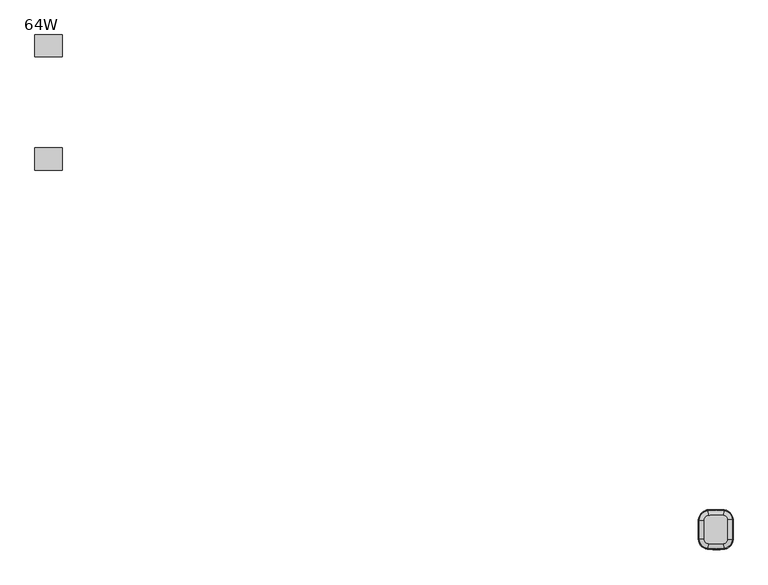
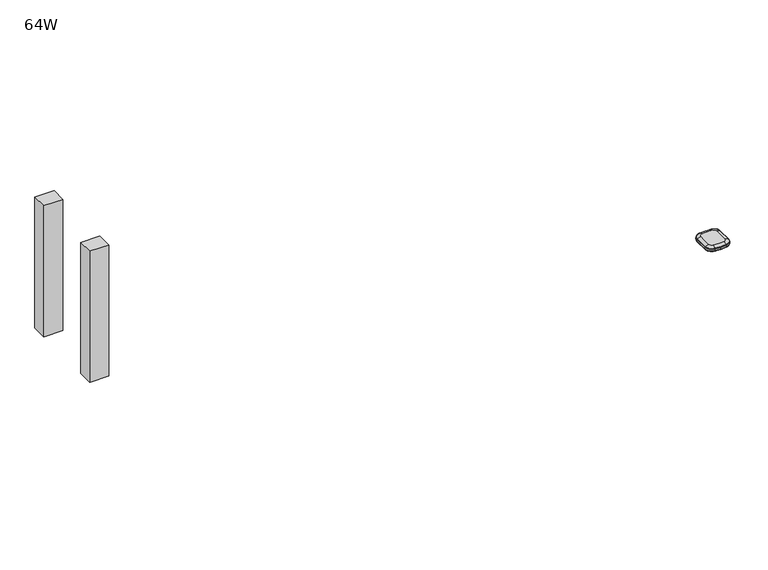
"""IFC4 building model written with IfcOpenShell, lengths in millimetres: furniture geometry, 64W."""

from ifc_helpers import new_model, si_unit, point, frame, origin, place, context, project, spatial, polyline, circle_curve, ellipse_curve, trimmed, outline, extrude, source, transform, mapped, element, save
from ifc_brep_helpers import plane_surface, revolved_surface, advanced_brep


def furniture_64w_b1112b51(model_context):
    return source(origin(), model_context, "Body", "SolidModel", [
        extrude(outline(polyline([(-684.9504395, 128.5875), (-732.5754395, 128.5875), (-732.5754395, 167.1263644), (-684.9504395, 167.1263644), (-684.9504395, 128.5875)])), frame((0.0, 0.0, 392.1140987), z_axis=(0.0, 0.0, 1.0), x_axis=(1.0, 0.0, 0.0)), (0.0, 0.0, 1.0), 344.8859011),
        extrude(outline(polyline([(-684.9504395, -30.1625), (-684.9504395, -68.7013644), (-732.5754395, -68.7013644), (-732.5754395, -30.1625), (-684.9504395, -30.1625)])), frame((0.0, 0.0, 392.1140987), z_axis=(0.0, 0.0, 1.0), x_axis=(1.0, 0.0, 0.0)), (0.0, 0.0, 1.0), 344.8859011),
        advanced_brep(
        [(469.9915374, -721.2053798, 737.0002905), (471.1343179, -728.8598422, 734.1834162), (484.6227261, -713.9601737, 734.1834162), (476.8926626, -713.5822062, 737.0002905), (485.88939, -714.0221082, 732.7527708), (471.3215762, -730.1141179, 732.7527708), (471.3460814, -730.2782564, 728.4840916), (486.0551497, -714.0302132, 728.4840916), (484.4743896, -678.3758204, 734.1834162), (476.7477458, -678.8182206, 737.0002905), (485.9061794, -678.2938412, 728.4840916), (485.7404931, -678.3033279, 732.7527708), (470.3475965, -663.6103493, 734.1834162), (469.5641927, -671.309896, 737.0002905), (470.4927656, -662.1835807, 728.4840916), (470.4759667, -662.3486859, 732.7527708), (443.0158016, -663.4298244, 734.1834162), (443.6974314, -671.1390475, 737.0002905), (442.8894919, -662.0012626, 728.4840916), (442.9041084, -662.1665754, 732.7527708), (427.2885802, -679.7244805, 734.1834162), (435.0171131, -680.1325499, 737.0002905), (425.8564403, -679.648863, 728.4840916), (426.0221671, -679.6576135, 732.7527708), (427.1672101, -713.0662347, 734.1834162), (434.898509, -712.714442, 737.0002905), (425.7345576, -713.1314238, 728.4840916), (425.9003437, -713.1238802, 732.7527708), (441.686564, -729.0029673, 734.1834162), (442.7548861, -721.3377583, 737.0002905), (441.4885979, -730.423373, 728.4840916), (441.5115065, -730.259004, 732.7527708), (485.7050419, -714.0130944, 727.740773), (471.294323, -729.9315728, 727.740773), (469.9915374, -721.2053798, 724.2999998), (476.8926626, -713.5822062, 724.2999998), (476.7477458, -678.8182206, 724.2999998), (485.5562266, -678.3138783, 727.740773), (469.5641927, -671.309896, 724.2999998), (470.4572839, -662.5323063, 727.740773), (443.6974314, -671.1390475, 724.2999998), (442.920364, -662.3504265, 727.740773), (435.0171131, -680.1325499, 724.2999998), (426.2064787, -679.6673452, 727.740773), (434.898509, -712.714442, 724.2999998), (426.0847213, -713.1154906, 727.740773), (442.7548861, -721.3377583, 724.2999998), (441.5369841, -730.0762026, 727.740773)],
        [
            (0, 1),
            (1, 2, circle_curve(frame((468.7943107, -713.186231, 734.1834162), z_axis=(0.0, 0.0, 1.0), x_axis=(0.1476594373655488, -0.9890382654664528, 0.0)), 15.8473253)),
            (2, 3),
            (3, 0, circle_curve(frame((468.7943107, -713.186231, 736.9999998), z_axis=(0.0, 0.0, -1.0), x_axis=(0.1476594373655488, -0.9890382654664528, 0.0)), 8.1088255)),
            (4, 5, circle_curve(frame((468.7943107, -713.186231, 732.7527708), z_axis=(0.0, 0.0, -1.0), x_axis=(0.1476594373655488, -0.9890382654664528, 0.0)), 17.1155025)),
            (5, 6, circle_curve(frame((469.6947111, -719.2172064, 730.1868597), z_axis=(0.9890382654664528, 0.14765943736554882, 0.0), x_axis=(-0.14765943736554882, 0.9890382654664528, 0.0)), 11.3125272)),
            (6, 7, circle_curve(frame((468.7943107, -713.186231, 728.4840916), z_axis=(0.0, 0.0, 1.0), x_axis=(0.1476594373655488, -0.9890382654664528, 0.0)), 17.2814602)),
            (7, 4, circle_curve(frame((474.8848525, -713.4840328, 730.1868597), z_axis=(-0.048837433538169245, -0.998806740608715, 0.0), x_axis=(-0.998806740608715, 0.048837433538169245, 0.0)), 11.3125272)),
            (1, 5, circle_curve(frame((471.0329657, -728.1809746, 732.2975708), z_axis=(0.9890382654664528, 0.14765943736554882, 0.0), x_axis=(-0.14765943736554882, 0.9890382654664528, 0.0)), 2.0068747)),
            (4, 2, circle_curve(frame((483.9371536, -713.9266521, 732.2975708), z_axis=(-0.04883743353817388, -0.9988067406087149, 0.0), x_axis=(-0.9988067406087149, 0.04883743353817388, 0.0)), 2.0068747)),
            (2, 8, circle_curve(frame((149.3226653, -697.5654161, 734.1834162), z_axis=(0.0, 0.0, 1.0), x_axis=(0.9988067406087116, -0.04883743353824024, 0.0)), 335.7006387)),
            (8, 9),
            (9, 3, circle_curve(frame((149.3226653, -697.5654161, 736.9999998), z_axis=(0.0, 0.0, -1.0), x_axis=(0.9988067406087116, -0.04883743353824024, 0.0)), 327.9621389)),
            (7, 10, circle_curve(frame((149.3226653, -697.5654161, 728.4840916), z_axis=(0.0, 0.0, 1.0), x_axis=(0.9988067406087116, -0.04883743353824024, 0.0)), 337.1347736)),
            (10, 11, circle_curve(frame((474.740824, -678.9331298, 730.1868597), z_axis=(0.05716282129697875, -0.9983648691041616, 0.0), x_axis=(-0.9983648691041616, -0.05716282129697875, 0.0)), 11.3125272)),
            (11, 4, circle_curve(frame((149.3226653, -697.5654161, 732.7527708), z_axis=(0.0, 0.0, -1.0), x_axis=(0.9988067406087116, -0.04883743353824024, 0.0)), 336.9688159)),
            (11, 8, circle_curve(frame((483.7891203, -678.4150565, 732.2975708), z_axis=(0.057162821296978576, -0.9983648691041617, 0.0), x_axis=(-0.9983648691041617, -0.057162821296978576, 0.0)), 2.0068747)),
            (8, 12, circle_curve(frame((468.7536743, -679.2759327, 734.1834162), z_axis=(0.0, 0.0, 1.0), x_axis=(0.9983648691041614, 0.05716282129698137, 0.0)), 15.7464628)),
            (12, 13),
            (13, 9, circle_curve(frame((468.7536743, -679.2759327, 736.9999998), z_axis=(0.0, 0.0, -1.0), x_axis=(0.9983648691041614, 0.05716282129698137, 0.0)), 8.0079629)),
            (10, 14, circle_curve(frame((468.7536743, -679.2759327, 728.4840916), z_axis=(0.0, 0.0, 1.0), x_axis=(0.9983648691041614, 0.05716282129698137, 0.0)), 17.1805977)),
            (14, 15, circle_curve(frame((469.360711, -673.3097797, 730.1868597), z_axis=(0.9948636454160273, -0.10122414252308173, 0.0), x_axis=(-0.10122414252308173, -0.9948636454160273, 0.0)), 11.3125272)),
            (15, 11, circle_curve(frame((468.7536743, -679.2759327, 732.7527708), z_axis=(0.0, 0.0, -1.0), x_axis=(0.9983648691041614, 0.05716282129698137, 0.0)), 17.01464)),
            (15, 12, circle_curve(frame((470.2781171, -664.2932153, 732.2975708), z_axis=(0.9948636454160271, -0.10122414252308287, 0.0), x_axis=(-0.10122414252308287, -0.9948636454160271, 0.0)), 2.0068747)),
            (12, 16, circle_curve(frame((455.7323463, -807.2537603, 734.1834162), z_axis=(0.0, 0.0, 1.0), x_axis=(0.10122414252308336, 0.9948636454160271, 0.0)), 144.3850237)),
            (16, 17),
            (17, 13, circle_curve(frame((455.7323463, -807.2537603, 736.9999998), z_axis=(0.0, 0.0, -1.0), x_axis=(0.10122414252308336, 0.9948636454160271, 0.0)), 136.6465238)),
            (14, 18, circle_curve(frame((455.7323463, -807.2537603, 728.4840916), z_axis=(0.0, 0.0, 1.0), x_axis=(0.10122414252308336, 0.9948636454160271, 0.0)), 145.8191585)),
            (18, 19, circle_curve(frame((443.8744783, -673.1414445, 730.1868597), z_axis=(0.996113947934043, 0.0880738481687654, 0.0), x_axis=(0.0880738481687654, -0.996113947934043, 0.0)), 11.3125272)),
            (19, 15, circle_curve(frame((455.7323463, -807.2537603, 732.7527708), z_axis=(0.0, 0.0, -1.0), x_axis=(0.10122414252308336, 0.9948636454160271, 0.0)), 145.6532009)),
            (19, 16, circle_curve(frame((443.0762548, -664.1135486, 732.2975708), z_axis=(0.9961139479340431, 0.08807384816876562, 0.0), x_axis=(0.08807384816876562, -0.9961139479340431, 0.0)), 2.0068747)),
            (16, 20, circle_curve(frame((444.5370575, -680.6352064, 734.1834162), z_axis=(0.0, 0.0, 1.0), x_axis=(-0.08807384816876603, 0.996113947934043, 0.0)), 17.2725039)),
            (20, 21),
            (21, 17, circle_curve(frame((444.5370575, -680.6352064, 736.9999998), z_axis=(0.0, 0.0, -1.0), x_axis=(-0.08807384816876603, 0.996113947934043, 0.0)), 9.534004)),
            (18, 22, circle_curve(frame((444.5370575, -680.6352064, 728.4840916), z_axis=(0.0, 0.0, 1.0), x_axis=(-0.08807384816876603, 0.996113947934043, 0.0)), 18.7066388)),
            (22, 23, circle_curve(frame((437.0245256, -680.238542, 730.1868597), z_axis=(0.052726915225591614, 0.9986089687213877, 0.0), x_axis=(0.9986089687213877, -0.052726915225591614, 0.0)), 11.3125272)),
            (23, 19, circle_curve(frame((444.5370575, -680.6352064, 732.7527708), z_axis=(0.0, 0.0, -1.0), x_axis=(-0.08807384816876603, 0.996113947934043, 0.0)), 18.5406811)),
            (23, 20, circle_curve(frame((427.974017, -679.7606719, 732.2975708), z_axis=(0.052726915225591614, 0.9986089687213877, 0.0), x_axis=(0.9986089687213877, -0.052726915225591614, 0.0)), 2.0068747)),
            (20, 24, circle_curve(frame((766.406514, -697.6300303, 734.1834162), z_axis=(0.0, 0.0, 1.0), x_axis=(-0.9986089687213847, 0.05272691522564658, 0.0)), 339.5903145)),
            (24, 25),
            (25, 21, circle_curve(frame((766.406514, -697.6300303, 736.9999998), z_axis=(0.0, 0.0, -1.0), x_axis=(-0.9986089687213847, 0.05272691522564658, 0.0)), 331.8518146)),
            (22, 26, circle_curve(frame((766.406514, -697.6300303, 728.4840916), z_axis=(0.0, 0.0, 1.0), x_axis=(-0.9986089687213847, 0.05272691522564658, 0.0)), 341.0244494)),
            (26, 27, circle_curve(frame((436.90664, -712.6230672, 730.1868597), z_axis=(-0.04545537307656763, 0.9989663703340919, 0.0), x_axis=(0.9989663703340919, 0.04545537307656763, 0.0)), 11.3125272)),
            (27, 23, circle_curve(frame((766.406514, -697.6300303, 732.7527708), z_axis=(0.0, 0.0, -1.0), x_axis=(-0.9986089687213847, 0.05272691522564658, 0.0)), 340.8584917)),
            (27, 24, circle_curve(frame((427.8528922, -713.0350345, 732.2975708), z_axis=(-0.04545537307656792, 0.998966370334092, 0.0), x_axis=(0.998966370334092, 0.04545537307656792, 0.0)), 2.0068747)),
            (24, 28, circle_curve(frame((444.0145546, -712.29964, 734.1834162), z_axis=(0.0, 0.0, 1.0), x_axis=(-0.9989663703340921, -0.045455373076564755, 0.0)), 16.8647764)),
            (28, 29),
            (29, 25, circle_curve(frame((444.0145546, -712.29964, 736.9999998), z_axis=(0.0, 0.0, -1.0), x_axis=(-0.9989663703340921, -0.045455373076564755, 0.0)), 9.1262765)),
            (26, 30, circle_curve(frame((444.0145546, -712.29964, 728.4840916), z_axis=(0.0, 0.0, 1.0), x_axis=(-0.9989663703340921, -0.045455373076564755, 0.0)), 18.2989113)),
            (30, 31, circle_curve(frame((443.0323726, -719.3467936, 730.1868597), z_axis=(-0.9904268457768614, 0.1380386292473867, 0.0), x_axis=(0.1380386292473867, 0.9904268457768614, 0.0)), 11.3125272)),
            (31, 27, circle_curve(frame((444.0145546, -712.29964, 732.7527708), z_axis=(0.0, 0.0, -1.0), x_axis=(-0.9989663703340921, -0.045455373076564755, 0.0)), 18.1329536)),
            (31, 28, circle_curve(frame((441.7813125, -728.3231467, 732.2975708), z_axis=(-0.9904268457768612, 0.13803862924738758, 0.0), x_axis=(0.13803862924738758, 0.9904268457768612, 0.0)), 2.0068747)),
            (0, 29, circle_curve(frame((455.9146182, -626.916711, 736.9999998), z_axis=(0.0, 0.0, -1.0), x_axis=(-0.13803862924737878, -0.9904268457768624, 0.0)), 95.33449)),
            (28, 1, circle_curve(frame((455.9146182, -626.916711, 734.1834162), z_axis=(0.0, 0.0, 1.0), x_axis=(-0.13803862924737878, -0.9904268457768624, 0.0)), 103.0729899)),
            (5, 31, circle_curve(frame((455.9146182, -626.916711, 732.7527708), z_axis=(0.0, 0.0, -1.0), x_axis=(-0.13803862924737878, -0.9904268457768624, 0.0)), 104.3411671)),
            (30, 6, circle_curve(frame((455.9146182, -626.916711, 728.4840916), z_axis=(0.0, 0.0, 1.0), x_axis=(-0.13803862924737878, -0.9904268457768624, 0.0)), 104.5071248)),
            (32, 33, circle_curve(frame((468.7943107, -713.186231, 727.740773), z_axis=(0.0, 0.0, -1.0), x_axis=(0.1476594373655488, -0.9890382654664528, 0.0)), 16.9309342)),
            (33, 34, circle_curve(frame((470.141296, -722.2084781, 734.7316594), z_axis=(0.9890382654664528, 0.14765943736554882, 0.0), x_axis=(-0.14765943736554882, 0.9890382654664528, 0.0)), 10.4808471)),
            (34, 35, circle_curve(frame((468.7943107, -713.186231, 724.2999998), z_axis=(0.0, 0.0, 1.0), x_axis=(0.1476594373655488, -0.9890382654664528, 0.0)), 8.1080269)),
            (35, 32, circle_curve(frame((477.9056682, -713.6317379, 734.7316594), z_axis=(-0.048837433538088504, -0.9988067406087189, 0.0), x_axis=(-0.9988067406087189, 0.048837433538088504, 0.0)), 10.4808471)),
            (6, 33, circle_curve(frame((471.135997, -728.871089, 728.7007148), z_axis=(0.9890382654664528, 0.14765943736554882, 0.0), x_axis=(-0.14765943736554882, 0.9890382654664528, 0.0)), 1.4391599)),
            (32, 7, circle_curve(frame((484.6340841, -713.9607291, 728.7007148), z_axis=(-0.04883743353817299, -0.9988067406087149, 0.0), x_axis=(-0.9988067406087149, 0.04883743353817299, 0.0)), 1.4391599)),
            (35, 36, circle_curve(frame((149.3226653, -697.5654161, 724.2999998), z_axis=(0.0, 0.0, 1.0), x_axis=(0.9988067406087116, -0.04883743353824024, 0.0)), 327.9613402)),
            (36, 37, circle_curve(frame((477.7603033, -678.7602451, 734.7316594), z_axis=(0.05716282129697856, -0.9983648691041617, 0.0), x_axis=(-0.9983648691041617, -0.05716282129697856, 0.0)), 10.4808471)),
            (37, 32, circle_curve(frame((149.3226653, -697.5654161, 727.740773), z_axis=(0.0, 0.0, -1.0), x_axis=(0.9988067406087116, -0.04883743353824024, 0.0)), 336.7842476)),
            (37, 10, circle_curve(frame((484.4857425, -678.3751704, 728.7007148), z_axis=(0.0571628212969787, -0.9983648691041617, 0.0), x_axis=(-0.9983648691041617, -0.0571628212969787, 0.0)), 1.4391599)),
            (36, 38, circle_curve(frame((468.7536743, -679.2759327, 724.2999998), z_axis=(0.0, 0.0, 1.0), x_axis=(0.9983648691041614, 0.05716282129698137, 0.0)), 8.0071643)),
            (38, 39, circle_curve(frame((469.6668558, -670.3008896, 734.7316594), z_axis=(0.9948636454160271, -0.10122414252308332, 0.0), x_axis=(-0.10122414252308332, -0.9948636454160271, 0.0)), 10.4808471)),
            (39, 37, circle_curve(frame((468.7536743, -679.2759327, 727.740773), z_axis=(0.0, 0.0, -1.0), x_axis=(0.9983648691041614, 0.05716282129698137, 0.0)), 16.8300716)),
            (39, 14, circle_curve(frame((470.3487476, -663.5990362, 728.7007148), z_axis=(0.9948636454160271, -0.10122414252308287, 0.0), x_axis=(-0.10122414252308287, -0.9948636454160271, 0.0)), 1.4391599)),
            (38, 40, circle_curve(frame((455.7323463, -807.2537603, 724.2999998), z_axis=(0.0, 0.0, 1.0), x_axis=(0.10122414252308336, 0.9948636454160271, 0.0)), 136.6457252)),
            (40, 41, circle_curve(frame((443.6081056, -670.128773, 734.7316594), z_axis=(0.996113947934043, 0.08807384816876598, 0.0), x_axis=(0.08807384816876598, -0.996113947934043, 0.0)), 10.4808471)),
            (41, 39, circle_curve(frame((455.7323463, -807.2537603, 727.740773), z_axis=(0.0, 0.0, -1.0), x_axis=(0.10122414252308336, 0.9948636454160271, 0.0)), 145.4686325)),
            (41, 18, circle_curve(frame((443.0148001, -663.418497, 728.7007148), z_axis=(0.9961139479340431, 0.0880738481687656, 0.0), x_axis=(0.0880738481687656, -0.9961139479340431, 0.0)), 1.4391599)),
            (40, 42, circle_curve(frame((444.5370575, -680.6352064, 724.2999998), z_axis=(0.0, 0.0, 1.0), x_axis=(-0.08807384816876603, 0.996113947934043, 0.0)), 9.5332054)),
            (42, 43, circle_curve(frame((434.0043081, -680.0790734, 734.7316594), z_axis=(0.052726915225539295, 0.9986089687213904, 0.0), x_axis=(0.9986089687213904, -0.052726915225539295, 0.0)), 10.4808471)),
            (43, 41, circle_curve(frame((444.5370575, -680.6352064, 727.740773), z_axis=(0.0, 0.0, -1.0), x_axis=(-0.08807384816876603, 0.996113947934043, 0.0)), 18.3561127)),
            (43, 22, circle_curve(frame((427.2772245, -679.723881, 728.7007148), z_axis=(0.052726915225594514, 0.9986089687213875, 0.0), x_axis=(0.9986089687213875, -0.052726915225594514, 0.0)), 1.4391599)),
            (42, 44, circle_curve(frame((766.406514, -697.6300303, 724.2999998), z_axis=(0.0, 0.0, 1.0), x_axis=(-0.9986089687213847, 0.05272691522564658, 0.0)), 331.851016)),
            (44, 45, circle_curve(frame((433.8853415, -712.7605436, 734.7316594), z_axis=(-0.045455373076568044, 0.998966370334092, 0.0), x_axis=(0.998966370334092, 0.045455373076568044, 0.0)), 10.4808471)),
            (45, 43, circle_curve(frame((766.406514, -697.6300303, 727.740773), z_axis=(0.0, 0.0, -1.0), x_axis=(-0.9986089687213847, 0.05272691522564658, 0.0)), 340.6739233)),
            (45, 26, circle_curve(frame((427.1558503, -713.0667516, 728.7007148), z_axis=(-0.04545537307656807, 0.998966370334092, 0.0), x_axis=(0.998966370334092, 0.04545537307656807, 0.0)), 1.4391599)),
            (44, 46, circle_curve(frame((444.0145546, -712.29964, 724.2999998), z_axis=(0.0, 0.0, 1.0), x_axis=(-0.9989663703340921, -0.045455373076564755, 0.0)), 9.1254779)),
            (46, 47, circle_curve(frame((442.6148851, -722.3422649, 734.7316594), z_axis=(-0.9904268457768609, 0.13803862924739, 0.0), x_axis=(0.13803862924739, 0.9904268457768609, 0.0)), 10.4808471)),
            (47, 45, circle_curve(frame((444.0145546, -712.29964, 727.740773), z_axis=(0.0, 0.0, -1.0), x_axis=(-0.9989663703340921, -0.045455373076564755, 0.0)), 17.9483852)),
            (47, 30, circle_curve(frame((441.6849942, -729.0142299, 728.7007148), z_axis=(-0.9904268457768614, 0.1380386292473869, 0.0), x_axis=(0.1380386292473869, 0.9904268457768614, 0.0)), 1.4391599)),
            (33, 47, circle_curve(frame((455.9146182, -626.916711, 727.740773), z_axis=(0.0, 0.0, -1.0), x_axis=(-0.13803862924737878, -0.9904268457768624, 0.0)), 104.1565987)),
            (46, 34, circle_curve(frame((455.9146182, -626.916711, 724.2999998), z_axis=(0.0, 0.0, 1.0), x_axis=(-0.13803862924737878, -0.9904268457768624, 0.0)), 95.3336914)),
        ],
        [
            revolved_surface(polyline([(471.1343179, -728.8598422, 734.1834162), (469.9915374, -721.2053798, 737.0002905)]), (468.7943107, -713.186231, 0.0), (0.0, 0.0, 1.0)),
            revolved_surface(trimmed(ellipse_curve(frame((469.6947111, -719.2172064, 730.1868597), z_axis=(-0.9890382654664528, -0.14765943736554882, 0.0), x_axis=(-0.14765943736554882, 0.9890382654664528, 0.0)), 11.3125272, 11.3125272), [point((471.3460814, -730.2782564, 728.4840916))], [point((471.3215762, -730.1141179, 732.7527708))], True, "CARTESIAN"), (468.7943107, -713.186231, 0.0), (0.0, 0.0, 1.0)),
            revolved_surface(trimmed(ellipse_curve(frame((471.0329657, -728.1809746, 732.2975708), z_axis=(-0.9890382654664528, -0.14765943736554882, 0.0), x_axis=(-0.14765943736554882, 0.9890382654664528, 0.0)), 2.0068747, 2.0068747), [point((471.3215762, -730.1141179, 732.7527708))], [point((471.1343179, -728.8598422, 734.1834162))], True, "CARTESIAN"), (468.7943107, -713.186231, 0.0), (0.0, 0.0, 1.0)),
            revolved_surface(polyline([(484.6227261, -713.9601737, 734.1834162), (476.8926626, -713.5822062, 737.0002905)]), (149.3226653, -697.5654161, 0.0), (0.0, 0.0, 1.0)),
            revolved_surface(trimmed(ellipse_curve(frame((474.8848525, -713.4840328, 730.1868597), z_axis=(-0.0488374335382402, -0.9988067406087116, 0.0), x_axis=(-0.9988067406087116, 0.0488374335382402, 0.0)), 11.3125272, 11.3125272), [point((486.0551497, -714.0302132, 728.4840916))], [point((485.88939, -714.0221082, 732.7527708))], True, "CARTESIAN"), (149.3226653, -697.5654161, 0.0), (0.0, 0.0, 1.0)),
            revolved_surface(trimmed(ellipse_curve(frame((483.9371536, -713.9266521, 732.2975708), z_axis=(-0.0488374335382402, -0.9988067406087116, 0.0), x_axis=(-0.9988067406087116, 0.0488374335382402, 0.0)), 2.0068747, 2.0068747), [point((485.88939, -714.0221082, 732.7527708))], [point((484.6227261, -713.9601737, 734.1834162))], True, "CARTESIAN"), (149.3226653, -697.5654161, 0.0), (0.0, 0.0, 1.0)),
            revolved_surface(polyline([(484.4743896, -678.3758204, 734.1834162), (476.7477458, -678.8182206, 737.0002905)]), (468.7536743, -679.2759327, 0.0), (0.0, 0.0, 1.0)),
            revolved_surface(trimmed(ellipse_curve(frame((474.740824, -678.9331298, 730.1868597), z_axis=(0.05716282129698141, -0.9983648691041614, 0.0), x_axis=(-0.9983648691041614, -0.05716282129698141, 0.0)), 11.3125272, 11.3125272), [point((485.9061794, -678.2938412, 728.4840916))], [point((485.7404931, -678.3033279, 732.7527708))], True, "CARTESIAN"), (468.7536743, -679.2759327, 0.0), (0.0, 0.0, 1.0)),
            revolved_surface(trimmed(ellipse_curve(frame((483.7891203, -678.4150565, 732.2975708), z_axis=(0.05716282129698141, -0.9983648691041614, 0.0), x_axis=(-0.9983648691041614, -0.05716282129698141, 0.0)), 2.0068747, 2.0068747), [point((485.7404931, -678.3033279, 732.7527708))], [point((484.4743896, -678.3758204, 734.1834162))], True, "CARTESIAN"), (468.7536743, -679.2759327, 0.0), (0.0, 0.0, 1.0)),
            revolved_surface(polyline([(470.3475965, -663.6103493, 734.1834162), (469.5641927, -671.309896, 737.0002905)]), (455.7323463, -807.2537603, 0.0), (0.0, 0.0, 1.0)),
            revolved_surface(trimmed(ellipse_curve(frame((469.360711, -673.3097797, 730.1868597), z_axis=(0.9948636454160271, -0.10122414252308337, 0.0), x_axis=(-0.10122414252308337, -0.9948636454160271, 0.0)), 11.3125272, 11.3125272), [point((470.4927656, -662.1835807, 728.4840916))], [point((470.4759667, -662.3486859, 732.7527708))], True, "CARTESIAN"), (455.7323463, -807.2537603, 0.0), (0.0, 0.0, 1.0)),
            revolved_surface(trimmed(ellipse_curve(frame((470.2781171, -664.2932153, 732.2975708), z_axis=(0.9948636454160271, -0.10122414252308337, 0.0), x_axis=(-0.10122414252308337, -0.9948636454160271, 0.0)), 2.0068747, 2.0068747), [point((470.4759667, -662.3486859, 732.7527708))], [point((470.3475965, -663.6103493, 734.1834162))], True, "CARTESIAN"), (455.7323463, -807.2537603, 0.0), (0.0, 0.0, 1.0)),
            revolved_surface(polyline([(443.0158016, -663.4298244, 734.1834162), (443.6974314, -671.1390475, 737.0002905)]), (444.5370575, -680.6352064, 0.0), (0.0, 0.0, 1.0)),
            revolved_surface(trimmed(ellipse_curve(frame((443.8744783, -673.1414445, 730.1868597), z_axis=(0.996113947934043, 0.08807384816876601, 0.0), x_axis=(0.08807384816876601, -0.996113947934043, 0.0)), 11.3125272, 11.3125272), [point((442.8894919, -662.0012626, 728.4840916))], [point((442.9041084, -662.1665754, 732.7527708))], True, "CARTESIAN"), (444.5370575, -680.6352064, 0.0), (0.0, 0.0, 1.0)),
            revolved_surface(trimmed(ellipse_curve(frame((443.0762548, -664.1135486, 732.2975708), z_axis=(0.996113947934043, 0.08807384816876601, 0.0), x_axis=(0.08807384816876601, -0.996113947934043, 0.0)), 2.0068747, 2.0068747), [point((442.9041084, -662.1665754, 732.7527708))], [point((443.0158016, -663.4298244, 734.1834162))], True, "CARTESIAN"), (444.5370575, -680.6352064, 0.0), (0.0, 0.0, 1.0)),
            revolved_surface(polyline([(427.2885802, -679.7244805, 734.1834162), (435.0171131, -680.1325499, 737.0002905)]), (766.406514, -697.6300303, 0.0), (0.0, 0.0, 1.0)),
            revolved_surface(trimmed(ellipse_curve(frame((437.0245256, -680.238542, 730.1868597), z_axis=(0.05272691522564658, 0.9986089687213847, 0.0), x_axis=(0.9986089687213847, -0.05272691522564658, 0.0)), 11.3125272, 11.3125272), [point((425.8564403, -679.648863, 728.4840916))], [point((426.0221671, -679.6576135, 732.7527708))], True, "CARTESIAN"), (766.406514, -697.6300303, 0.0), (0.0, 0.0, 1.0)),
            revolved_surface(trimmed(ellipse_curve(frame((427.974017, -679.7606719, 732.2975708), z_axis=(0.05272691522564658, 0.9986089687213847, 0.0), x_axis=(0.9986089687213847, -0.05272691522564658, 0.0)), 2.0068747, 2.0068747), [point((426.0221671, -679.6576135, 732.7527708))], [point((427.2885802, -679.7244805, 734.1834162))], True, "CARTESIAN"), (766.406514, -697.6300303, 0.0), (0.0, 0.0, 1.0)),
            revolved_surface(polyline([(427.1672101, -713.0662347, 734.1834162), (434.898509, -712.714442, 737.0002905)]), (444.0145546, -712.29964, 0.0), (0.0, 0.0, 1.0)),
            revolved_surface(trimmed(ellipse_curve(frame((436.90664, -712.6230672, 730.1868597), z_axis=(-0.04545537307656476, 0.9989663703340921, 0.0), x_axis=(0.9989663703340921, 0.04545537307656476, 0.0)), 11.3125272, 11.3125272), [point((425.7345576, -713.1314238, 728.4840916))], [point((425.9003437, -713.1238802, 732.7527708))], True, "CARTESIAN"), (444.0145546, -712.29964, 0.0), (0.0, 0.0, 1.0)),
            revolved_surface(trimmed(ellipse_curve(frame((427.8528922, -713.0350345, 732.2975708), z_axis=(-0.04545537307656476, 0.9989663703340921, 0.0), x_axis=(0.9989663703340921, 0.04545537307656476, 0.0)), 2.0068747, 2.0068747), [point((425.9003437, -713.1238802, 732.7527708))], [point((427.1672101, -713.0662347, 734.1834162))], True, "CARTESIAN"), (444.0145546, -712.29964, 0.0), (0.0, 0.0, 1.0)),
            revolved_surface(polyline([(441.686564, -729.0029673, 734.1834162), (442.7548861, -721.3377583, 737.0002905)]), (455.9146182, -626.916711, 0.0), (0.0, 0.0, 1.0)),
            revolved_surface(trimmed(ellipse_curve(frame((443.0323726, -719.3467936, 730.1868597), z_axis=(-0.9904268457768624, 0.1380386292473788, 0.0), x_axis=(0.1380386292473788, 0.9904268457768624, 0.0)), 11.3125272, 11.3125272), [point((441.4885979, -730.423373, 728.4840916))], [point((441.5115065, -730.259004, 732.7527708))], True, "CARTESIAN"), (455.9146182, -626.916711, 0.0), (0.0, 0.0, 1.0)),
            revolved_surface(trimmed(ellipse_curve(frame((441.7813125, -728.3231467, 732.2975708), z_axis=(-0.9904268457768624, 0.1380386292473788, 0.0), x_axis=(0.1380386292473788, 0.9904268457768624, 0.0)), 2.0068747, 2.0068747), [point((441.5115065, -730.259004, 732.7527708))], [point((441.686564, -729.0029673, 734.1834162))], True, "CARTESIAN"), (455.9146182, -626.916711, 0.0), (0.0, 0.0, 1.0)),
            revolved_surface(trimmed(ellipse_curve(frame((470.141296, -722.2084781, 734.7316594), z_axis=(-0.9890382654664528, -0.14765943736554882, 0.0), x_axis=(-0.14765943736554882, 0.9890382654664528, 0.0)), 10.4808471, 10.4808471), [point((469.9915374, -721.2053798, 724.2999998))], [point((471.294323, -729.9315728, 727.740773))], True, "CARTESIAN"), (468.7943107, -713.186231, 0.0), (0.0, 0.0, 1.0)),
            revolved_surface(trimmed(ellipse_curve(frame((471.135997, -728.871089, 728.7007148), z_axis=(-0.9890382654664528, -0.14765943736554882, 0.0), x_axis=(-0.14765943736554882, 0.9890382654664528, 0.0)), 1.4391599, 1.4391599), [point((471.294323, -729.9315728, 727.740773))], [point((471.3460814, -730.2782564, 728.4840916))], True, "CARTESIAN"), (468.7943107, -713.186231, 0.0), (0.0, 0.0, 1.0)),
            revolved_surface(trimmed(ellipse_curve(frame((477.9056682, -713.6317379, 734.7316594), z_axis=(-0.0488374335382402, -0.9988067406087116, 0.0), x_axis=(-0.9988067406087116, 0.0488374335382402, 0.0)), 10.4808471, 10.4808471), [point((476.8926626, -713.5822062, 724.2999998))], [point((485.7050419, -714.0130944, 727.740773))], True, "CARTESIAN"), (149.3226653, -697.5654161, 0.0), (0.0, 0.0, 1.0)),
            revolved_surface(trimmed(ellipse_curve(frame((484.6340841, -713.9607291, 728.7007148), z_axis=(-0.0488374335382402, -0.9988067406087116, 0.0), x_axis=(-0.9988067406087116, 0.0488374335382402, 0.0)), 1.4391599, 1.4391599), [point((485.7050419, -714.0130944, 727.740773))], [point((486.0551497, -714.0302132, 728.4840916))], True, "CARTESIAN"), (149.3226653, -697.5654161, 0.0), (0.0, 0.0, 1.0)),
            revolved_surface(trimmed(ellipse_curve(frame((477.7603033, -678.7602451, 734.7316594), z_axis=(0.05716282129698141, -0.9983648691041614, 0.0), x_axis=(-0.9983648691041614, -0.05716282129698141, 0.0)), 10.4808471, 10.4808471), [point((476.7477458, -678.8182206, 724.2999998))], [point((485.5562266, -678.3138783, 727.740773))], True, "CARTESIAN"), (468.7536743, -679.2759327, 0.0), (0.0, 0.0, 1.0)),
            revolved_surface(trimmed(ellipse_curve(frame((484.4857425, -678.3751704, 728.7007148), z_axis=(0.05716282129698141, -0.9983648691041614, 0.0), x_axis=(-0.9983648691041614, -0.05716282129698141, 0.0)), 1.4391599, 1.4391599), [point((485.5562266, -678.3138783, 727.740773))], [point((485.9061794, -678.2938412, 728.4840916))], True, "CARTESIAN"), (468.7536743, -679.2759327, 0.0), (0.0, 0.0, 1.0)),
            revolved_surface(trimmed(ellipse_curve(frame((469.6668558, -670.3008896, 734.7316594), z_axis=(0.9948636454160271, -0.10122414252308337, 0.0), x_axis=(-0.10122414252308337, -0.9948636454160271, 0.0)), 10.4808471, 10.4808471), [point((469.5641927, -671.309896, 724.2999998))], [point((470.4572839, -662.5323063, 727.740773))], True, "CARTESIAN"), (455.7323463, -807.2537603, 0.0), (0.0, 0.0, 1.0)),
            revolved_surface(trimmed(ellipse_curve(frame((470.3487476, -663.5990362, 728.7007148), z_axis=(0.9948636454160271, -0.10122414252308337, 0.0), x_axis=(-0.10122414252308337, -0.9948636454160271, 0.0)), 1.4391599, 1.4391599), [point((470.4572839, -662.5323063, 727.740773))], [point((470.4927656, -662.1835807, 728.4840916))], True, "CARTESIAN"), (455.7323463, -807.2537603, 0.0), (0.0, 0.0, 1.0)),
            revolved_surface(trimmed(ellipse_curve(frame((443.6081056, -670.128773, 734.7316594), z_axis=(0.996113947934043, 0.08807384816876601, 0.0), x_axis=(0.08807384816876601, -0.996113947934043, 0.0)), 10.4808471, 10.4808471), [point((443.6974314, -671.1390475, 724.2999998))], [point((442.920364, -662.3504265, 727.740773))], True, "CARTESIAN"), (444.5370575, -680.6352064, 0.0), (0.0, 0.0, 1.0)),
            revolved_surface(trimmed(ellipse_curve(frame((443.0148001, -663.418497, 728.7007148), z_axis=(0.996113947934043, 0.08807384816876601, 0.0), x_axis=(0.08807384816876601, -0.996113947934043, 0.0)), 1.4391599, 1.4391599), [point((442.920364, -662.3504265, 727.740773))], [point((442.8894919, -662.0012626, 728.4840916))], True, "CARTESIAN"), (444.5370575, -680.6352064, 0.0), (0.0, 0.0, 1.0)),
            revolved_surface(trimmed(ellipse_curve(frame((434.0043081, -680.0790734, 734.7316594), z_axis=(0.05272691522564658, 0.9986089687213847, 0.0), x_axis=(0.9986089687213847, -0.05272691522564658, 0.0)), 10.4808471, 10.4808471), [point((435.0171131, -680.1325499, 724.2999998))], [point((426.2064787, -679.6673452, 727.740773))], True, "CARTESIAN"), (766.406514, -697.6300303, 0.0), (0.0, 0.0, 1.0)),
            revolved_surface(trimmed(ellipse_curve(frame((427.2772245, -679.723881, 728.7007148), z_axis=(0.05272691522564658, 0.9986089687213847, 0.0), x_axis=(0.9986089687213847, -0.05272691522564658, 0.0)), 1.4391599, 1.4391599), [point((426.2064787, -679.6673452, 727.740773))], [point((425.8564403, -679.648863, 728.4840916))], True, "CARTESIAN"), (766.406514, -697.6300303, 0.0), (0.0, 0.0, 1.0)),
            revolved_surface(trimmed(ellipse_curve(frame((433.8853415, -712.7605436, 734.7316594), z_axis=(-0.04545537307656476, 0.9989663703340921, 0.0), x_axis=(0.9989663703340921, 0.04545537307656476, 0.0)), 10.4808471, 10.4808471), [point((434.898509, -712.714442, 724.2999998))], [point((426.0847213, -713.1154906, 727.740773))], True, "CARTESIAN"), (444.0145546, -712.29964, 0.0), (0.0, 0.0, 1.0)),
            revolved_surface(trimmed(ellipse_curve(frame((427.1558503, -713.0667516, 728.7007148), z_axis=(-0.04545537307656476, 0.9989663703340921, 0.0), x_axis=(0.9989663703340921, 0.04545537307656476, 0.0)), 1.4391599, 1.4391599), [point((426.0847213, -713.1154906, 727.740773))], [point((425.7345576, -713.1314238, 728.4840916))], True, "CARTESIAN"), (444.0145546, -712.29964, 0.0), (0.0, 0.0, 1.0)),
            revolved_surface(trimmed(ellipse_curve(frame((442.6148851, -722.3422649, 734.7316594), z_axis=(-0.9904268457768624, 0.1380386292473788, 0.0), x_axis=(0.1380386292473788, 0.9904268457768624, 0.0)), 10.4808471, 10.4808471), [point((442.7548861, -721.3377583, 724.2999998))], [point((441.5369841, -730.0762026, 727.740773))], True, "CARTESIAN"), (455.9146182, -626.916711, 0.0), (0.0, 0.0, 1.0)),
            revolved_surface(trimmed(ellipse_curve(frame((441.6849942, -729.0142299, 728.7007148), z_axis=(-0.9904268457768624, 0.1380386292473788, 0.0), x_axis=(0.1380386292473788, 0.9904268457768624, 0.0)), 1.4391599, 1.4391599), [point((441.5369841, -730.0762026, 727.740773))], [point((441.4885979, -730.423373, 728.4840916))], True, "CARTESIAN"), (455.9146182, -626.916711, 0.0), (0.0, 0.0, 1.0)),
            plane_surface(frame((468.7536743, -671.2687684, 724.2999998), z_axis=(0.0, 0.0, -1.0), x_axis=(1.0, 0.0, 0.0))),
            plane_surface(frame((468.7536743, -671.2687684, 736.9999998), z_axis=(0.0, 0.0, 1.0), x_axis=(-1.0, 0.0, 0.0))),
        ],
        [
            (0, [[1, 2, 3, 4]]),
            (1, [[5, 6, 7, 8]]),
            (2, [[-2, 9, -5, 10]]),
            (3, [[-3, 11, 12, 13]]),
            (4, [[-8, 14, 15, 16]]),
            (5, [[-10, -16, 17, -11]]),
            (6, [[-12, 18, 19, 20]]),
            (7, [[-15, 21, 22, 23]]),
            (8, [[-17, -23, 24, -18]]),
            (9, [[-19, 25, 26, 27]]),
            (10, [[-22, 28, 29, 30]]),
            (11, [[-24, -30, 31, -25]]),
            (12, [[-26, 32, 33, 34]]),
            (13, [[-29, 35, 36, 37]]),
            (14, [[-31, -37, 38, -32]]),
            (15, [[-33, 39, 40, 41]]),
            (16, [[-36, 42, 43, 44]]),
            (17, [[-38, -44, 45, -39]]),
            (18, [[-40, 46, 47, 48]]),
            (19, [[-43, 49, 50, 51]]),
            (20, [[-45, -51, 52, -46]]),
            (21, [[-1, 53, -47, 54]]),
            (22, [[-6, 55, -50, 56]]),
            (23, [[-9, -54, -52, -55]]),
            (24, [[57, 58, 59, 60]]),
            (25, [[-7, 61, -57, 62]]),
            (26, [[-60, 63, 64, 65]]),
            (27, [[-14, -62, -65, 66]]),
            (28, [[-64, 67, 68, 69]]),
            (29, [[-21, -66, -69, 70]]),
            (30, [[-68, 71, 72, 73]]),
            (31, [[-28, -70, -73, 74]]),
            (32, [[-72, 75, 76, 77]]),
            (33, [[-35, -74, -77, 78]]),
            (34, [[-76, 79, 80, 81]]),
            (35, [[-42, -78, -81, 82]]),
            (36, [[-80, 83, 84, 85]]),
            (37, [[-49, -82, -85, 86]]),
            (38, [[-58, 87, -84, 88]]),
            (39, [[-56, -86, -87, -61]]),
            (40, [[-59, -88, -83, -79, -75, -71, -67, -63]]),
            (41, [[-4, -13, -20, -27, -34, -41, -48, -53]]),
        ],
    ),
    ])


if __name__ == "__main__":
    model = new_model("IFC4")
    model_context = context("Model", 3, world=origin())
    ifc_project = project(units=[si_unit("LENGTHUNIT", "METRE", prefix="MILLI")], contexts=[model_context])
    site = spatial("IfcSite", under=ifc_project)
    building = spatial("IfcBuilding", under=site)
    placement = place(None, origin())
    furniture_64w_shape = furniture_64w_b1112b51(model_context)
    element("IfcFurniture", 1, ObjectType="64W", at=placement, inside=building, context=model_context, shape_type="MappedRepresentation", body=[
        mapped(furniture_64w_shape, transform((0.0, 0.0, 0.0), x_axis=(1.0, 0.0, 0.0), y_axis=(0.0, 1.0, 0.0), z_axis=(0.0, 0.0, 1.0))),
    ])
    save(model, "model.ifc")
